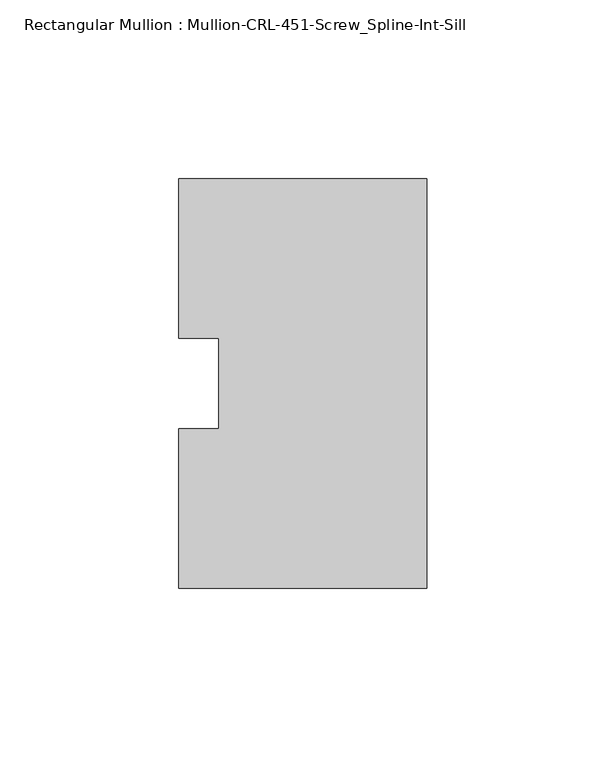
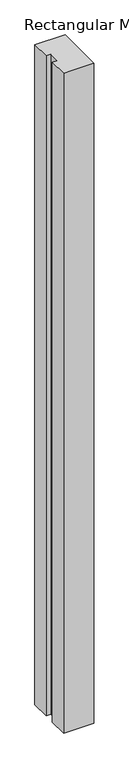
"""IFC4 building model written with IfcOpenShell, lengths in millimetres: member geometry, Rectangular Mullion : Mullion-CRL-451-Screw_Spline-Int-Sill."""

from ifc_helpers import new_model, si_unit, frame, origin, place, context, project, spatial, polyline, outline, extrude, source, transform, mapped, element, save


def rectangular_mullion_mullion_crl_451_screw_spline_int_sill_8cb34b66(model_context):
    return source(origin(), model_context, "Body", "SweptSolid", [
        extrude(outline(polyline([(0.0, -57.15), (-69.2658181, -57.15), (-69.2658181, -12.7), (-58.1533181, -12.7), (-58.1533181, 12.7), (-69.2658181, 12.7), (-69.2658181, 57.15), (0.0, 57.15), (0.0, -57.15)])), frame((0.0, 0.0, -1603.375), z_axis=(0.0, 0.0, 1.0), x_axis=(1.0, 0.0, 0.0)), (0.0, 0.0, 1.0), 1603.375),
    ])


if __name__ == "__main__":
    model = new_model("IFC4")
    model_context = context("Model", 3, world=origin())
    ifc_project = project(units=[si_unit("LENGTHUNIT", "METRE", prefix="MILLI")], contexts=[model_context])
    site = spatial("IfcSite", under=ifc_project)
    building = spatial("IfcBuilding", under=site)
    placement = place(None, origin())
    rectangular_mullion_mullion_crl_451_screw_spline_int_sill_shape = rectangular_mullion_mullion_crl_451_screw_spline_int_sill_8cb34b66(model_context)
    element("IfcMember", 1, ObjectType="Rectangular Mullion : Mullion-CRL-451-Screw_Spline-Int-Sill", at=placement, inside=building, context=model_context, shape_type="MappedRepresentation", body=[
        mapped(rectangular_mullion_mullion_crl_451_screw_spline_int_sill_shape, transform((0.0, 0.0, 0.0), x_axis=(1.0, 0.0, 0.0), y_axis=(0.0, 1.0, 0.0), z_axis=(0.0, 0.0, 1.0))),
    ])
    save(model, "model.ifc")
